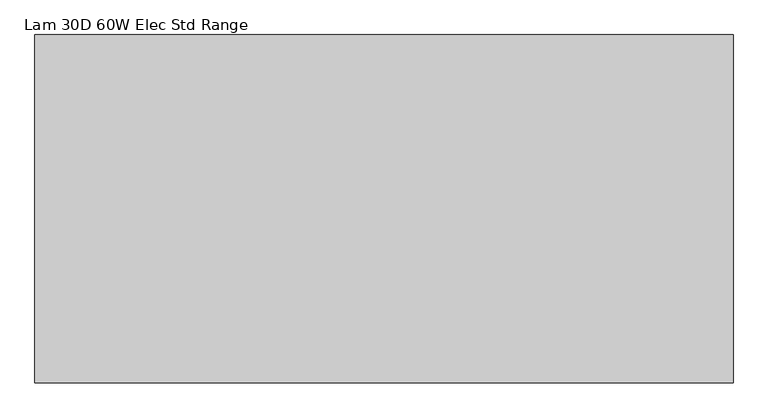
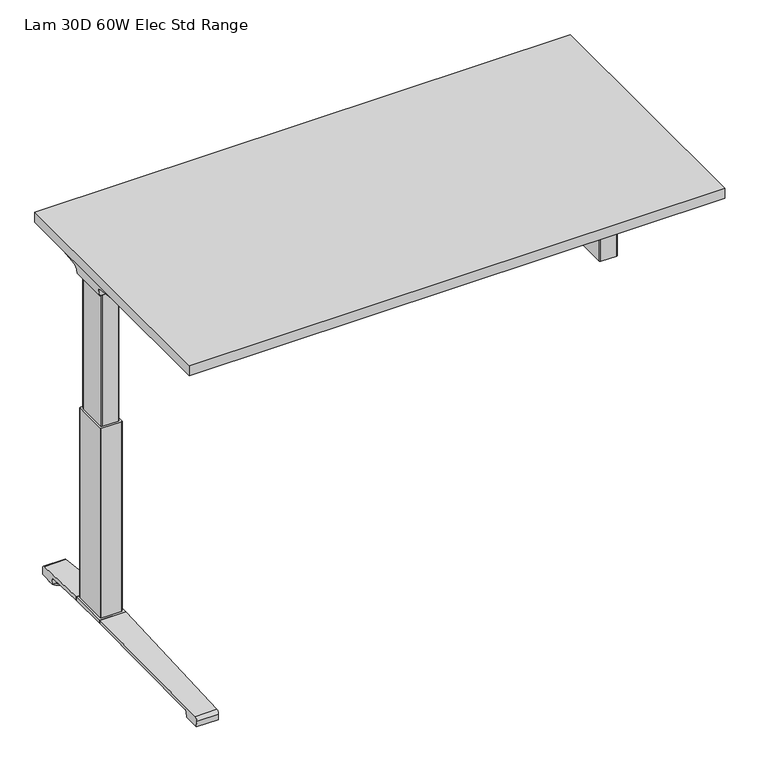
"""IFC4 building model written with IfcOpenShell, lengths in millimetres: furniture geometry, Lam 30D 60W Elec Std Range."""

from ifc_helpers import new_model, si_unit, point, frame, frame_2d, origin, place, context, project, spatial, polyline, circle_curve, ellipse_curve, trimmed, segment, composite_curve, outline, extrude, source, transform, mapped, element, save
from ifc_brep_helpers import plane_surface, cylinder_surface, revolved_surface, advanced_brep


def lam_30d_60w_elec_std_range_3e9fa373(model_context):
    return source(origin(), model_context, "Body", "SolidModel", [
        extrude(outline(polyline([(735.076, 366.776), (735.076, -366.776), (-735.076, -366.776), (-735.076, 366.776), (735.076, 366.776)])), frame((0.0, 0.0, 1037.209), z_axis=(0.0, 0.0, 1.0), x_axis=(1.0, 0.0, 0.0)), (0.0, 0.0, 1.0), 29.591),
        advanced_brep(
        [(-718.7406297, 194.2506702, 988.7915733), (-553.0122138, 194.2506702, 988.7915733), (-567.3924181, 192.0222169, 986.1442785), (-716.2518591, 192.0222169, 986.1442785), (-718.9625278, 194.259656, 989.0276054), (-721.3619089, 194.9036827, 1005.9443054), (-538.5773962, 194.9036827, 1005.9443054), (-538.5773962, 194.5556965, 996.8037253), (-541.4075093, 194.4745058, 994.6710821), (-541.5501644, 194.3968397, 992.6310191), (-722.2185362, 200.3707181, 1011.9839076), (-538.5773962, 200.3707181, 1011.9839076), (-724.7393767, 314.9419225, 1029.7569507), (-660.5243442, 314.9419225, 1029.7569507), (-538.5773962, 234.1372, 1017.2219877), (-724.8128152, 318.7179275, 1030.2747243), (-666.2229255, 318.7179275, 1030.2747243), (-725.4871296, 320.2281839, 1035.0289399), (-723.7021288, 317.6512888, 1037.209), (-664.6132011, 317.6512888, 1037.209), (-725.4871296, -38.7453839, 1035.0289399), (-724.8128152, -37.2351275, 1030.2747243), (-666.2229255, -37.2351275, 1030.2747243), (-664.6132011, -36.1684888, 1037.209), (-723.7021288, -36.1684888, 1037.209), (-724.7393767, -33.4591225, 1029.7569507), (-660.5243442, -33.4591225, 1029.7569507), (-722.2185362, 81.1120819, 1011.9839076), (-538.5773962, 81.1120819, 1011.9839076), (-538.5773962, 47.3456, 1017.2219877), (-721.3619089, 86.5791173, 1005.9443054), (-538.5773962, 86.5791173, 1005.9443054), (-718.9625278, 87.223144, 989.0276054), (-718.7406297, 87.2321298, 988.7915733), (-553.0122138, 87.2321298, 988.7915733), (-541.5501644, 87.0859603, 992.6310191), (-541.4075093, 87.0082942, 994.6710821), (-538.5773962, 86.9271035, 996.8037253), (-716.2518591, 89.4605831, 986.1442785), (-567.3924181, 89.4605831, 986.1442785), (-538.5773962, 47.3456, 1037.209), (-538.5773962, 234.1372, 1037.209)],
        [
            (0, 1),
            (1, 2, ellipse_curve(frame((-577.2936465, 271.2884009, 1080.3086722), z_axis=(0.0, 0.7650318638532662, -0.6439924279750482), x_axis=(0.0, 0.6439924279750482, 0.7650318638532662)), 123.7641411, 94.6835116)),
            (2, 3),
            (3, 0),
            (0, 4),
            (4, 5),
            (5, 6),
            (6, 7),
            (7, 8),
            (8, 9),
            (9, 1, ellipse_curve(frame((-577.2936465, 197.7347686, 1080.3086722), z_axis=(0.0, 0.999276106683639, -0.03804290487316255), x_axis=(0.0, 0.03804290487316397, 0.999276106683639)), 94.752102, 94.6835116)),
            (5, 10, ellipse_curve(frame((-721.3119691, 201.3622409, 1005.5922075), z_axis=(-0.990090671484964, 0.0, -0.14042956326377007), x_axis=(-0.1404295632637696, 0.0, 0.990090671484964)), 6.5328852, 6.4681487)),
            (10, 11),
            (11, 6, circle_curve(frame((-538.5773962, 201.3622409, 1005.5922075), z_axis=(1.0, 0.0, 0.0), x_axis=(0.0, 1.0, 0.0)), 6.4681487)),
            (10, 12),
            (12, 13),
            (13, 14),
            (14, 11),
            (12, 15),
            (15, 16),
            (16, 13),
            (15, 17, ellipse_curve(frame((-725.2730772, 316.7408111, 1033.5197755), z_axis=(0.990090671484964, 0.0, 0.14042956326377007), x_axis=(0.1404295632637696, 0.0, -0.990090671484964)), 3.8379455, 3.7999141)),
            (17, 18, ellipse_curve(frame((-726.722811, 316.7408111, 1033.5197755), z_axis=(0.7737284588433301, 0.0, -0.6335173809580328), x_axis=(0.6335173809580328, 0.0, 0.77372845884333)), 4.9111727, 3.7999141)),
            (18, 19),
            (19, 16, ellipse_curve(frame((-663.239148, 316.7408111, 1033.5197755), z_axis=(-0.5523637579768186, -0.8336031902972341, 0.0), x_axis=(0.8336031902972341, -0.5523637579768187, 0.0)), 6.8793689, 3.7999141)),
            (20, 21, ellipse_curve(frame((-725.2730772, -35.2580111, 1033.5197755), z_axis=(0.990090671484964, 0.0, 0.14042956326377007), x_axis=(0.1404295632637696, 0.0, -0.990090671484964)), 3.8379455, 3.7999141)),
            (21, 22),
            (22, 23, ellipse_curve(frame((-663.239148, -35.2580111, 1033.5197755), z_axis=(-0.552363757975039, 0.8336031902984132, 0.0), x_axis=(0.8336031902984132, 0.552363757975039, 0.0)), 6.8793689, 3.7999141)),
            (23, 24),
            (24, 20, ellipse_curve(frame((-726.722811, -35.2580111, 1033.5197755), z_axis=(0.7737284588433301, 0.0, -0.6335173809580328), x_axis=(0.6335173809580328, 0.0, 0.77372845884333)), 4.9111727, 3.7999141)),
            (21, 25),
            (25, 26),
            (26, 22),
            (27, 28),
            (28, 29),
            (29, 26),
            (25, 27),
            (27, 30, ellipse_curve(frame((-721.3119691, 80.1205591, 1005.5922075), z_axis=(-0.990090671484964, 0.0, -0.14042956326377007), x_axis=(-0.1404295632637696, 0.0, 0.990090671484964)), 6.5328852, 6.4681487)),
            (30, 31),
            (31, 28, circle_curve(frame((-538.5773962, 80.1205591, 1005.5922075), z_axis=(1.0, 0.0, 0.0), x_axis=(0.0, 1.0, 0.0)), 6.4681487)),
            (30, 32),
            (32, 33),
            (33, 34),
            (34, 35, ellipse_curve(frame((-577.2936465, 83.7480314, 1080.3086722), z_axis=(0.0, -0.9992761066836363, -0.03804290487323539), x_axis=(0.0, 0.03804290487323121, -0.9992761066836364)), 94.752102, 94.6835116)),
            (35, 36),
            (36, 37),
            (37, 31),
            (33, 38),
            (38, 39),
            (39, 34, ellipse_curve(frame((-577.2936465, 10.1943991, 1080.3086722), z_axis=(0.0, -0.7650318638534733, -0.643992427974802), x_axis=(0.0, 0.643992427974802, -0.7650318638534732)), 123.7641411, 94.6835116)),
            (4, 32),
            (20, 17),
            (24, 18),
            (23, 40),
            (40, 41),
            (41, 19),
            (37, 7),
            (14, 41),
            (40, 29),
            (36, 8),
            (35, 9),
            (39, 2),
            (38, 3),
        ],
        [
            plane_surface(frame((-741.7773962, 192.0222169, 986.1442785), z_axis=(0.0, 0.7650318638532662, -0.6439924279750482), x_axis=(1.0, 0.0, 0.0))),
            plane_surface(frame((-741.7773962, 194.2506702, 988.7915733), z_axis=(0.0, 0.999276106683639, -0.03804290487316255), x_axis=(1.0, 0.0, 0.0))),
            revolved_surface(polyline([(-722.2293793154884, 207.8303896, 1005.5922075), (-538.5773962, 207.8303896, 1005.5922075)]), (-741.7773962, 201.3622409, 1005.5922075), (-1.0, 0.0, 0.0)),
            plane_surface(frame((-741.7773962, 200.3707181, 1011.9839076), z_axis=(0.0, 0.153293135871396, -0.9881807600306302), x_axis=(1.0, 0.0, 0.0))),
            plane_surface(frame((-741.7773962, 314.9419225, 1029.7569507), z_axis=(0.0, 0.13585085469026903, -0.9907292996979162), x_axis=(1.0, 0.0, 0.0))),
            cylinder_surface(frame((-741.7773962, 316.7408111, 1033.5197755), z_axis=(1.0, 0.0, 0.0), x_axis=(0.0, 1.0, 0.0)), 3.7999141),
            cylinder_surface(frame((-741.7773962, -35.2580111, 1033.5197755), z_axis=(1.0, 0.0, 0.0), x_axis=(0.0, 1.0, 0.0)), 3.7999141),
            plane_surface(frame((-741.7773962, -37.2351275, 1030.2747243), z_axis=(0.0, -0.13585085468791205, -0.9907292996982394), x_axis=(1.0, 0.0, 0.0))),
            plane_surface(frame((-741.7773962, -33.4591225, 1029.7569507), z_axis=(0.0, -0.1532931358714066, -0.9881807600306285), x_axis=(1.0, 0.0, 0.0))),
            revolved_surface(polyline([(-722.2293793154884, 86.5887078, 1005.5922075), (-538.5773962, 86.5887078, 1005.5922075)]), (-741.7773962, 80.1205591, 1005.5922075), (-1.0, 0.0, 0.0)),
            plane_surface(frame((-741.7773962, 86.5791173, 1005.9443054), z_axis=(0.0, -0.9992761066836363, -0.03804290487323539), x_axis=(1.0, 0.0, 0.0))),
            plane_surface(frame((-741.7773962, 87.2321298, 988.7915733), z_axis=(0.0, -0.7650318638534733, -0.643992427974802), x_axis=(1.0, 0.0, 0.0))),
            plane_surface(frame((-718.9625278, 331.2414, 989.0276054), z_axis=(-0.990090671484964, 0.0, -0.14042956326377007), x_axis=(0.0, -1.0, 0.0))),
            plane_surface(frame((-725.4871296, 331.2414, 1035.0289399), z_axis=(-0.7737284588433301, 0.0, 0.6335173809580328), x_axis=(0.0, -1.0, 0.0))),
            plane_surface(frame((-723.7021288, 331.2414, 1037.209), z_axis=(0.0, 0.0, 1.0), x_axis=(0.0, -1.0, 0.0))),
            plane_surface(frame((-538.5773962, 331.2414, 1037.209), z_axis=(1.0, 0.0, 0.0), x_axis=(0.0, -1.0, 0.0))),
            plane_surface(frame((-538.5773962, 331.2414, 996.8037253), z_axis=(0.6018150231516033, 0.0, -0.7986355100476283), x_axis=(0.0, -1.0, 0.0))),
            plane_surface(frame((-541.4075093, 331.2414, 994.6710821), z_axis=(0.9975640502600401, 0.0, -0.06975647374103827), x_axis=(0.0, -1.0, 0.0))),
            cylinder_surface(frame((-577.2936465, 331.2414, 1080.3086722), z_axis=(0.0, 1.0, 0.0), x_axis=(1.0, 0.0, 0.0)), 94.6835116),
            plane_surface(frame((-567.3924181, 331.2414, 986.1442785), z_axis=(0.0, 0.0, -1.0), x_axis=(0.0, -1.0, 0.0))),
            plane_surface(frame((-716.2518591, 331.2414, 986.1442785), z_axis=(-0.728584606419653, 0.0, -0.6849558170337118), x_axis=(0.0, -1.0, 0.0))),
            plane_surface(frame((-685.1228017, 331.2414, 1037.209), z_axis=(0.5523637579768186, 0.8336031902972341, 0.0), x_axis=(0.0, 0.0, -1.0))),
            plane_surface(frame((-538.5773962, 47.3456, 1037.209), z_axis=(0.552363757975039, -0.8336031902984132, 0.0), x_axis=(0.0, 0.0, -1.0))),
        ],
        [
            (0, [[1, 2, 3, 4]]),
            (1, [[-1, 5, 6, 7, 8, 9, 10, 11]]),
            (2, [[-7, 12, 13, 14]]),
            (3, [[-13, 15, 16, 17, 18]]),
            (4, [[19, 20, 21, -16]]),
            (5, [[22, 23, 24, 25, -20]]),
            (6, [[26, 27, 28, 29, 30]]),
            (7, [[31, 32, 33, -27]]),
            (8, [[34, 35, 36, -32, 37]]),
            (9, [[-34, 38, 39, 40]]),
            (10, [[-39, 41, 42, 43, 44, 45, 46, 47]]),
            (11, [[-43, 48, 49, 50]]),
            (12, [[51, -41, -38, -37, -31, -26, 52, -22, -19, -15, -12, -6]]),
            (13, [[-52, -30, 53, -23]]),
            (14, [[-53, -29, 54, 55, 56, -24]]),
            (15, [[57, -8, -14, -18, 58, -55, 59, -35, -40, -47]]),
            (16, [[-57, -46, 60, -9]]),
            (17, [[-60, -45, 61, -10]]),
            (18, [[-61, -44, -50, 62, -2, -11]]),
            (19, [[-62, -49, 63, -3]]),
            (20, [[-51, -5, -4, -63, -48, -42]]),
            (21, [[-56, -58, -17, -21, -25]]),
            (22, [[-54, -28, -33, -36, -59]]),
        ],
    ),
        advanced_brep(
        [(553.0122138, 194.2506702, 988.7915733), (718.7406297, 194.2506702, 988.7915733), (716.2518591, 192.0222169, 986.1442785), (567.3924181, 192.0222169, 986.1442785), (541.5501644, 194.3968397, 992.6310191), (541.4075093, 194.4745058, 994.6710821), (538.7619573, 194.5504018, 996.6646485), (538.7619573, 194.9036827, 1005.9443054), (721.3619089, 194.9036827, 1005.9443054), (718.9625278, 194.259656, 989.0276054), (538.7619573, 200.3707181, 1011.9839076), (722.2185362, 200.3707181, 1011.9839076), (538.7619573, 234.1303953, 1017.2209321), (660.5570453, 314.9419225, 1029.7569507), (724.7393767, 314.9419225, 1029.7569507), (724.8128152, 318.7179275, 1030.2747243), (666.2480509, 318.7179275, 1030.2747243), (725.4871296, 320.2281839, 1035.0289399), (664.6404665, 317.6512888, 1037.209), (723.7021288, 317.6512888, 1037.209), (724.8128152, -37.2351275, 1030.2747243), (725.4871296, -38.7453839, 1035.0289399), (723.7021288, -36.1684888, 1037.209), (664.6404665, -36.1684888, 1037.209), (666.2480509, -37.2351275, 1030.2747243), (724.7393767, -33.4591225, 1029.7569507), (660.5570453, -33.4591225, 1029.7569507), (538.7619573, 81.1120819, 1011.9839076), (722.2185362, 81.1120819, 1011.9839076), (538.7619573, 47.3524047, 1017.2209321), (538.7619573, 86.5791173, 1005.9443054), (721.3619089, 86.5791173, 1005.9443054), (538.7619573, 86.9323982, 996.6646485), (541.4075093, 87.0082942, 994.6710821), (541.5501644, 87.0859603, 992.6310191), (553.0122138, 87.2321298, 988.7915733), (718.7406297, 87.2321298, 988.7915733), (718.9625278, 87.223144, 989.0276054), (567.3924181, 89.4605831, 986.1442785), (716.2518591, 89.4605831, 986.1442785), (538.7619573, 234.1303953, 1037.209), (538.7619573, 47.3524047, 1037.209)],
        [
            (0, 1),
            (1, 2),
            (2, 3),
            (3, 0, ellipse_curve(frame((577.2936465, 271.2884009, 1080.3086722), z_axis=(0.0, 0.7650318638532565, -0.6439924279750596), x_axis=(0.0, -0.6439924279750596, -0.7650318638532564)), 123.7641411, 94.6835116)),
            (0, 4, ellipse_curve(frame((577.2936465, 197.7347686, 1080.3086722), z_axis=(0.0, 0.9992761066836392, -0.03804290487315862), x_axis=(0.0, -0.03804290487315623, -0.9992761066836393)), 94.752102, 94.6835116)),
            (4, 5),
            (5, 6),
            (6, 7),
            (7, 8),
            (8, 9),
            (9, 1),
            (7, 10, circle_curve(frame((538.7619573, 201.3622409, 1005.5922075), z_axis=(-1.0, 0.0, 0.0), x_axis=(0.0, 1.0, 0.0)), 6.4681487)),
            (10, 11),
            (11, 8, ellipse_curve(frame((721.3119691, 201.3622409, 1005.5922075), z_axis=(0.9900906714849659, 0.0, -0.1404295632637567), x_axis=(-0.1404295632637562, 0.0, -0.9900906714849659)), 6.5328852, 6.4681487)),
            (10, 12),
            (12, 13),
            (13, 14),
            (14, 11),
            (15, 14),
            (13, 16),
            (16, 15),
            (17, 15, ellipse_curve(frame((725.2730772, 316.7408111, 1033.5197755), z_axis=(-0.9900906714849659, 0.0, 0.1404295632637567), x_axis=(0.1404295632637562, 0.0, 0.9900906714849659)), 3.8379455, 3.7999141)),
            (16, 18, ellipse_curve(frame((663.26824, 316.7408111, 1033.5197755), z_axis=(0.5528743936295484, -0.8332646067539167, 0.0), x_axis=(0.8332646067539166, 0.5528743936295484, 0.0)), 6.8730151, 3.7999141)),
            (18, 19),
            (19, 17, ellipse_curve(frame((726.722811, 316.7408111, 1033.5197755), z_axis=(-0.7737284588399557, 0.0, -0.633517380962154), x_axis=(0.6335173809621538, 0.0, -0.7737284588399556)), 4.9111727, 3.7999141)),
            (20, 21, ellipse_curve(frame((725.2730772, -35.2580111, 1033.5197755), z_axis=(-0.9900906714849659, 0.0, 0.1404295632637567), x_axis=(0.1404295632637562, 0.0, 0.9900906714849659)), 3.8379455, 3.7999141)),
            (21, 22, ellipse_curve(frame((726.722811, -35.2580111, 1033.5197755), z_axis=(-0.7737284588399557, 0.0, -0.633517380962154), x_axis=(0.6335173809621538, 0.0, -0.7737284588399556)), 4.9111727, 3.7999141)),
            (22, 23),
            (23, 24, ellipse_curve(frame((663.26824, -35.2580111, 1033.5197755), z_axis=(0.5528743936295326, 0.833264606753927, 0.0), x_axis=(0.833264606753927, -0.5528743936295326, 0.0)), 6.8730151, 3.7999141)),
            (24, 20),
            (25, 20),
            (24, 26),
            (26, 25),
            (27, 28),
            (28, 25),
            (26, 29),
            (29, 27),
            (27, 30, circle_curve(frame((538.7619573, 80.1205591, 1005.5922075), z_axis=(-1.0, 0.0, 0.0), x_axis=(0.0, 1.0, 0.0)), 6.4681487)),
            (30, 31),
            (31, 28, ellipse_curve(frame((721.3119691, 80.1205591, 1005.5922075), z_axis=(0.9900906714849659, 0.0, -0.1404295632637567), x_axis=(-0.1404295632637562, 0.0, -0.9900906714849659)), 6.5328852, 6.4681487)),
            (30, 32),
            (32, 33),
            (33, 34),
            (34, 35, ellipse_curve(frame((577.2936465, 83.7480314, 1080.3086722), z_axis=(0.0, -0.9992761066836363, -0.03804290487323539), x_axis=(0.0, -0.03804290487323121, 0.9992761066836364)), 94.752102, 94.6835116)),
            (35, 36),
            (36, 37),
            (37, 31),
            (35, 38, ellipse_curve(frame((577.2936465, 10.1943991, 1080.3086722), z_axis=(0.0, -0.7650318638534733, -0.643992427974802), x_axis=(0.0, -0.643992427974802, 0.7650318638534732)), 123.7641411, 94.6835116)),
            (38, 39),
            (39, 36),
            (37, 9),
            (17, 21),
            (19, 22),
            (18, 40),
            (40, 41),
            (41, 23),
            (6, 32),
            (29, 41),
            (40, 12),
            (5, 33),
            (4, 34),
            (3, 38),
            (2, 39),
        ],
        [
            plane_surface(frame((538.7619573, 192.0222169, 986.1442785), z_axis=(0.0, 0.7650318638532565, -0.6439924279750596), x_axis=(1.0, 0.0, 0.0))),
            plane_surface(frame((538.7619573, 194.2506702, 988.7915733), z_axis=(0.0, 0.9992761066836392, -0.03804290487315862), x_axis=(1.0, 0.0, 0.0))),
            revolved_surface(polyline([(538.7619573, 207.8303896, 1005.5922075), (722.2293793154884, 207.8303896, 1005.5922075)]), (538.7619573, 201.3622409, 1005.5922075), (-1.0, 0.0, 0.0)),
            plane_surface(frame((538.7619573, 200.3707181, 1011.9839076), z_axis=(0.0, 0.15329313587140309, -0.988180760030629), x_axis=(1.0, 0.0, 0.0))),
            plane_surface(frame((538.7619573, 314.9419225, 1029.7569507), z_axis=(0.0, 0.1358508546900816, -0.9907292996979419), x_axis=(1.0, 0.0, 0.0))),
            cylinder_surface(frame((538.7619573, 316.7408111, 1033.5197755), z_axis=(1.0, 0.0, 0.0), x_axis=(0.0, 1.0, 0.0)), 3.7999141),
            cylinder_surface(frame((538.7619573, -35.2580111, 1033.5197755), z_axis=(1.0, 0.0, 0.0), x_axis=(0.0, 1.0, 0.0)), 3.7999141),
            plane_surface(frame((538.7619573, -37.2351275, 1030.2747243), z_axis=(0.0, -0.1358508546877776, -0.9907292996982578), x_axis=(1.0, 0.0, 0.0))),
            plane_surface(frame((538.7619573, -33.4591225, 1029.7569507), z_axis=(0.0, -0.15329313587141113, -0.9881807600306277), x_axis=(1.0, 0.0, 0.0))),
            revolved_surface(polyline([(538.7619573, 86.5887078, 1005.5922075), (722.2293793154884, 86.5887078, 1005.5922075)]), (538.7619573, 80.1205591, 1005.5922075), (-1.0, 0.0, 0.0)),
            plane_surface(frame((538.7619573, 86.5791173, 1005.9443054), z_axis=(0.0, -0.9992761066836363, -0.03804290487323539), x_axis=(1.0, 0.0, 0.0))),
            plane_surface(frame((538.7619573, 87.2321298, 988.7915733), z_axis=(0.0, -0.7650318638534733, -0.643992427974802), x_axis=(1.0, 0.0, 0.0))),
            plane_surface(frame((718.9625278, -49.7586, 989.0276054), z_axis=(0.9900906714849659, 0.0, -0.1404295632637567), x_axis=(0.0, 1.0, 0.0))),
            plane_surface(frame((725.4871296, -49.7586, 1035.0289399), z_axis=(0.7737284588399557, 0.0, 0.633517380962154), x_axis=(0.0, 1.0, 0.0))),
            plane_surface(frame((723.7021288, -49.7586, 1037.209), z_axis=(0.0, 0.0, 1.0), x_axis=(0.0, 1.0, 0.0))),
            plane_surface(frame((538.7619573, -49.7586, 1037.209), z_axis=(-1.0, 0.0, 0.0), x_axis=(0.0, 1.0, 0.0))),
            plane_surface(frame((538.7619573, -49.7586, 996.6646485), z_axis=(-0.6018150231540825, 0.0, -0.7986355100457599), x_axis=(0.0, 1.0, 0.0))),
            plane_surface(frame((541.4075093, -49.7586, 994.6710821), z_axis=(-0.9975640502598242, 0.0, -0.06975647374412697), x_axis=(0.0, 1.0, 0.0))),
            cylinder_surface(frame((577.2936465, -49.7586, 1080.3086722), z_axis=(0.0, -1.0, 0.0), x_axis=(-1.0, 0.0, 0.0)), 94.6835116),
            plane_surface(frame((567.3924181, -49.7586, 986.1442785), z_axis=(0.0, 0.0, -1.0), x_axis=(0.0, 1.0, 0.0))),
            plane_surface(frame((716.2518591, -49.7586, 986.1442785), z_axis=(0.7285846064222525, 0.0, -0.6849558170309465), x_axis=(0.0, 1.0, 0.0))),
            plane_surface(frame((538.7619573, 234.1303953, 1037.209), z_axis=(-0.5528743936295484, 0.8332646067539167, 0.0), x_axis=(0.0, 0.0, -1.0))),
            plane_surface(frame((685.1228017, -49.7586, 1037.209), z_axis=(-0.5528743936295326, -0.833264606753927, 0.0), x_axis=(0.0, 0.0, -1.0))),
        ],
        [
            (0, [[1, 2, 3, 4]]),
            (1, [[-1, 5, 6, 7, 8, 9, 10, 11]]),
            (2, [[-9, 12, 13, 14]]),
            (3, [[-13, 15, 16, 17, 18]]),
            (4, [[19, -17, 20, 21]]),
            (5, [[22, -21, 23, 24, 25]]),
            (6, [[26, 27, 28, 29, 30]]),
            (7, [[31, -30, 32, 33]]),
            (8, [[34, 35, -33, 36, 37]]),
            (9, [[-34, 38, 39, 40]]),
            (10, [[-39, 41, 42, 43, 44, 45, 46, 47]]),
            (11, [[-45, 48, 49, 50]]),
            (12, [[51, -10, -14, -18, -19, -22, 52, -26, -31, -35, -40, -47]]),
            (13, [[-52, -25, 53, -27]]),
            (14, [[-53, -24, 54, 55, 56, -28]]),
            (15, [[57, -41, -38, -37, 58, -55, 59, -15, -12, -8]]),
            (16, [[-57, -7, 60, -42]]),
            (17, [[-60, -6, 61, -43]]),
            (18, [[-61, -5, -4, 62, -48, -44]]),
            (19, [[-62, -3, 63, -49]]),
            (20, [[-51, -46, -50, -63, -2, -11]]),
            (21, [[-54, -23, -20, -16, -59]]),
            (22, [[-56, -58, -36, -32, -29]]),
        ],
    ),
        advanced_brep(
        [(-538.5773962, 219.4245697, 1031.9794894), (-538.5773962, 221.1889242, 1034.2075511), (-538.5773962, 232.1695225, 1034.2075511), (-538.5773962, 232.8996919, 1031.6093085), (-538.5773962, 211.4733108, 1002.0462148), (-538.5773962, 194.0724914, 993.4452863), (-538.5773962, 87.2846156, 993.4452863), (-538.5773962, 69.6568217, 1002.4997482), (-538.5773962, 48.3221138, 1032.2706054), (-538.5773962, 49.9606766, 1034.3266572), (-538.5773962, 60.1758098, 1034.3266572), (-538.5773962, 62.0467848, 1031.9794894), (-538.5773962, 61.3055637, 1031.4423822), (-538.5773962, 59.7353363, 1033.4122572), (-538.5773962, 50.0567238, 1033.4122572), (-538.5773962, 49.2508351, 1032.5444366), (-538.5773962, 70.4000744, 1003.0323858), (-538.5773962, 87.2846156, 994.3598536), (-538.5773962, 194.0724914, 994.3596863), (-538.5773962, 210.73984, 1002.5923713), (-538.5773962, 232.0935627, 1032.0552144), (-538.5773962, 231.8362942, 1033.2931511), (-538.5773962, 221.631209, 1033.2931511), (-538.5773962, 220.1656719, 1031.4424419), (538.7619573, 219.4245697, 1031.9794894), (538.7619573, 220.1656719, 1031.4424419), (538.7619573, 221.631209, 1033.2931511), (538.7619573, 231.8362942, 1033.2931511), (538.7619573, 232.0935627, 1032.0552144), (538.7619573, 210.73984, 1002.5923713), (538.7619573, 194.0724914, 994.3596863), (538.7619573, 87.2846155, 994.3596863), (538.7619573, 70.4000744, 1003.0323858), (538.7619573, 49.2508351, 1032.5444366), (538.7619573, 50.0567238, 1033.4122572), (538.7619573, 59.7353363, 1033.4122572), (538.7619573, 61.3055637, 1031.4423822), (538.7619573, 62.0467848, 1031.9794894), (538.7619573, 60.1758098, 1034.3266572), (538.7619573, 49.9606766, 1034.3266572), (538.7619573, 48.3221138, 1032.2706054), (538.7619573, 69.6568217, 1002.4997482), (538.7619573, 87.2846156, 993.4454536), (538.7619573, 194.0724914, 993.4452863), (538.7619573, 211.4733108, 1002.0462148), (538.7619573, 232.8996919, 1031.6093085), (538.7619573, 232.1695225, 1034.2075511), (538.7619573, 221.1889242, 1034.2075511)],
        [
            (0, 1),
            (1, 2),
            (2, 3, circle_curve(frame((-538.5773962, 230.9519576, 1032.4636667), z_axis=(-1.0, 0.0, 0.0), x_axis=(0.0, 1.0, 0.0)), 2.1268749)),
            (3, 4),
            (4, 5, circle_curve(frame((-538.5773962, 194.0724914, 1015.3478336), z_axis=(-1.0, 0.0, 0.0), x_axis=(0.0, 1.0, 0.0)), 21.9025472)),
            (5, 6),
            (6, 7, circle_curve(frame((-538.5773962, 87.2846156, 1015.132365), z_axis=(-1.0, 0.0, 0.0), x_axis=(0.0, 1.0, 0.0)), 21.6869114)),
            (7, 8),
            (8, 9, circle_curve(frame((-538.5773962, 50.3224635, 1032.3573833), z_axis=(-1.0, 0.0, 0.0), x_axis=(0.0, 1.0, 0.0)), 2.0022311)),
            (9, 10),
            (10, 11),
            (11, 12),
            (12, 13),
            (13, 14),
            (14, 15, circle_curve(frame((-538.5773962, 50.3224635, 1032.3573833), z_axis=(1.0, 0.0, 0.0), x_axis=(0.0, 1.0, 0.0)), 1.0878311)),
            (15, 16),
            (16, 17, circle_curve(frame((-538.5773962, 87.2846156, 1015.132365), z_axis=(1.0, 0.0, 0.0), x_axis=(0.0, 1.0, 0.0)), 20.7725114)),
            (17, 18),
            (18, 19, circle_curve(frame((-538.5773962, 194.0724914, 1015.3478336), z_axis=(1.0, 0.0, 0.0), x_axis=(0.0, 1.0, 0.0)), 20.9881473)),
            (19, 20),
            (20, 21, circle_curve(frame((-538.5773962, 230.9519576, 1032.4636667), z_axis=(1.0, 0.0, 0.0), x_axis=(0.0, 1.0, 0.0)), 1.2124749)),
            (21, 22),
            (22, 23),
            (23, 0),
            (24, 25),
            (25, 26),
            (26, 27),
            (27, 28, circle_curve(frame((538.7619573, 230.9519576, 1032.4636667), z_axis=(-1.0, 0.0, 0.0), x_axis=(0.0, 1.0, 0.0)), 1.2124749)),
            (28, 29),
            (29, 30, circle_curve(frame((538.7619573, 194.0724914, 1015.3478336), z_axis=(-1.0, 0.0, 0.0), x_axis=(0.0, 1.0, 0.0)), 20.9881473)),
            (30, 31),
            (31, 32, circle_curve(frame((538.7619573, 87.2846156, 1015.132365), z_axis=(-1.0, 0.0, 0.0), x_axis=(0.0, 1.0, 0.0)), 20.7725114)),
            (32, 33),
            (33, 34, circle_curve(frame((538.7619573, 50.3224635, 1032.3573833), z_axis=(-1.0, 0.0, 0.0), x_axis=(0.0, 1.0, 0.0)), 1.0878311)),
            (34, 35),
            (35, 36),
            (36, 37),
            (37, 38),
            (38, 39),
            (39, 40, circle_curve(frame((538.7619573, 50.3224635, 1032.3573833), z_axis=(1.0, 0.0, 0.0), x_axis=(0.0, 1.0, 0.0)), 2.0022311)),
            (40, 41),
            (41, 42, circle_curve(frame((538.7619573, 87.2846156, 1015.132365), z_axis=(1.0, 0.0, 0.0), x_axis=(0.0, 1.0, 0.0)), 21.6869114)),
            (42, 43),
            (43, 44, circle_curve(frame((538.7619573, 194.0724914, 1015.3478336), z_axis=(1.0, 0.0, 0.0), x_axis=(0.0, 1.0, 0.0)), 21.9025472)),
            (44, 45),
            (45, 46, circle_curve(frame((538.7619573, 230.9519576, 1032.4636667), z_axis=(1.0, 0.0, 0.0), x_axis=(0.0, 1.0, 0.0)), 2.1268749)),
            (46, 47),
            (47, 24),
            (0, 24),
            (47, 1),
            (46, 2),
            (45, 3),
            (44, 4),
            (43, 5),
            (42, 6),
            (41, 7),
            (40, 8),
            (39, 9),
            (38, 10),
            (37, 11),
            (36, 12),
            (35, 13),
            (34, 14),
            (33, 15),
            (32, 16),
            (31, 17),
            (30, 18),
            (29, 19),
            (28, 20),
            (27, 21),
            (26, 22),
            (25, 23),
        ],
        [
            plane_surface(frame((-538.5773962, 140.7414, 1037.209), z_axis=(-1.0, 0.0, 0.0), x_axis=(0.0, 0.0, 1.0))),
            plane_surface(frame((538.7619573, 140.7414, 1037.209), z_axis=(1.0, 0.0, 0.0), x_axis=(0.0, 0.0, 1.0))),
            plane_surface(frame((-538.5773962, 219.4245697, 1031.9794894), z_axis=(0.0, -0.7839649337165058, 0.6208051084703434), x_axis=(1.0, 0.0, 0.0))),
            plane_surface(frame((-538.5773962, 221.1889242, 1034.2075511), z_axis=(0.0, 0.0, 1.0), x_axis=(1.0, 0.0, 0.0))),
            cylinder_surface(frame((-538.5773962, 230.9519576, 1032.4636667), z_axis=(-1.0, 0.0, 0.0), x_axis=(0.0, 1.0, 0.0)), 2.1268749),
            plane_surface(frame((-538.5773962, 232.8996919, 1031.6093085), z_axis=(0.0, 0.8096997445281038, -0.586844377762217), x_axis=(1.0, 0.0, 0.0))),
            cylinder_surface(frame((-538.5773962, 194.0724914, 1015.3478336), z_axis=(-1.0, 0.0, 0.0), x_axis=(0.0, 1.0, 0.0)), 21.9025472),
            plane_surface(frame((-538.5773962, 194.0724914, 993.4452863), z_axis=(0.0, 0.0, -1.0), x_axis=(1.0, 0.0, 0.0))),
            cylinder_surface(frame((-538.5773962, 87.2846156, 1015.132365), z_axis=(-1.0, 0.0, 0.0), x_axis=(0.0, 1.0, 0.0)), 21.6869114),
            plane_surface(frame((-538.5773962, 69.6568217, 1002.4997482), z_axis=(0.0, -0.8128309997561537, -0.5824995844079305), x_axis=(1.0, 0.0, 0.0))),
            cylinder_surface(frame((-538.5773962, 50.3224635, 1032.3573833), z_axis=(-1.0, 0.0, 0.0), x_axis=(0.0, 1.0, 0.0)), 2.0022311),
            plane_surface(frame((-538.5773962, 49.9606766, 1034.3266572), z_axis=(0.0, 0.0, 1.0), x_axis=(1.0, 0.0, 0.0))),
            plane_surface(frame((-538.5773962, 60.1758098, 1034.3266572), z_axis=(0.0, 0.7819660587237972, 0.6233210112004657), x_axis=(1.0, 0.0, 0.0))),
            plane_surface(frame((-538.5773962, 62.0467848, 1031.9794894), z_axis=(0.0, 0.5867684336468096, -0.8097547809526473), x_axis=(1.0, 0.0, 0.0))),
            plane_surface(frame((-538.5773962, 61.3055637, 1031.4423822), z_axis=(0.0, -0.7819660587239206, -0.6233210112003109), x_axis=(1.0, 0.0, 0.0))),
            plane_surface(frame((-538.5773962, 59.7353363, 1033.4122572), z_axis=(0.0, 0.0, -1.0), x_axis=(1.0, 0.0, 0.0))),
            revolved_surface(polyline([(538.7619573000001, 51.4102946, 1032.3573833), (-538.5773962, 51.4102946, 1032.3573833)]), (-538.5773962, 50.3224635, 1032.3573833), (1.0, 0.0, 0.0)),
            plane_surface(frame((-538.5773962, 49.2508351, 1032.5444366), z_axis=(0.0, 0.8128309996716102, 0.582499584525904), x_axis=(1.0, 0.0, 0.0))),
            revolved_surface(polyline([(538.7619573000001, 108.057127, 1015.132365), (-538.5773962, 108.057127, 1015.132365)]), (-538.5773962, 87.2846156, 1015.132365), (1.0, 0.0, 0.0)),
            plane_surface(frame((-538.5773962, 87.2846155, 994.3596863), z_axis=(0.0, 0.0, 1.0), x_axis=(1.0, 0.0, 0.0))),
            revolved_surface(polyline([(538.7619573000001, 215.0606387, 1015.3478336), (-538.5773962, 215.0606387, 1015.3478336)]), (-538.5773962, 194.0724914, 1015.3478336), (1.0, 0.0, 0.0)),
            plane_surface(frame((-538.5773962, 210.73984, 1002.5923713), z_axis=(0.0, -0.8096997449536107, 0.5868443771751228), x_axis=(1.0, 0.0, 0.0))),
            revolved_surface(polyline([(538.7619573000001, 232.16443249999998, 1032.4636667), (-538.5773962, 232.16443249999998, 1032.4636667)]), (-538.5773962, 230.9519576, 1032.4636667), (1.0, 0.0, 0.0)),
            plane_surface(frame((-538.5773962, 231.8362942, 1033.2931511), z_axis=(0.0, 0.0, -1.0), x_axis=(1.0, 0.0, 0.0))),
            plane_surface(frame((-538.5773962, 221.631209, 1033.2931511), z_axis=(0.0, 0.7839649337164979, -0.6208051084703533), x_axis=(1.0, 0.0, 0.0))),
            plane_surface(frame((-538.5773962, 220.1656719, 1031.4424419), z_axis=(0.0, -0.5867873637752554, -0.8097410633737715), x_axis=(1.0, 0.0, 0.0))),
        ],
        [
            (0, [[1, 2, 3, 4, 5, 6, 7, 8, 9, 10, 11, 12, 13, 14, 15, 16, 17, 18, 19, 20, 21, 22, 23, 24]]),
            (1, [[25, 26, 27, 28, 29, 30, 31, 32, 33, 34, 35, 36, 37, 38, 39, 40, 41, 42, 43, 44, 45, 46, 47, 48]]),
            (2, [[-1, 49, -48, 50]]),
            (3, [[-2, -50, -47, 51]]),
            (4, [[-3, -51, -46, 52]]),
            (5, [[-4, -52, -45, 53]]),
            (6, [[-5, -53, -44, 54]]),
            (7, [[-6, -54, -43, 55]]),
            (8, [[-7, -55, -42, 56]]),
            (9, [[-8, -56, -41, 57]]),
            (10, [[-9, -57, -40, 58]]),
            (11, [[-10, -58, -39, 59]]),
            (12, [[-11, -59, -38, 60]]),
            (13, [[-12, -60, -37, 61]]),
            (14, [[-13, -61, -36, 62]]),
            (15, [[-14, -62, -35, 63]]),
            (16, [[-15, -63, -34, 64]]),
            (17, [[-16, -64, -33, 65]]),
            (18, [[-17, -65, -32, 66]]),
            (19, [[-18, -66, -31, 67]]),
            (20, [[-19, -67, -30, 68]]),
            (21, [[-20, -68, -29, 69]]),
            (22, [[-21, -69, -28, 70]]),
            (23, [[-22, -70, -27, 71]]),
            (24, [[-23, -71, -26, 72]]),
            (25, [[-24, -72, -25, -49]]),
        ],
    ),
        extrude(outline(composite_curve([segment(polyline([(55.5056383, 1035.5739712), (47.2253898, 1035.5739712), (46.7140592, 1034.5565876), (69.739753, 1002.6872047)]), True, "CONTINUOUS"), segment(trimmed(circle_curve(frame_2d((87.8837814, 1018.2741393)), 23.9198306), [point((69.739753, 1002.6872047))], [point((87.8837814, 994.3543087))], True, "CARTESIAN"), True, "CONTINUOUS"), segment(polyline([(87.8837814, 994.3543087), (301.5718611, 994.3543087)]), True, "CONTINUOUS"), segment(trimmed(circle_curve(frame_2d((302.3659677, 1016.4522042)), 22.1121593), [point((301.5718611, 994.3543087))], [point((320.2711793, 1003.4771903))], True, "CARTESIAN"), True, "CONTINUOUS"), segment(polyline([(320.2711793, 1003.4771903), (342.2234672, 1033.7708273), (342.9639039, 1033.2342821), (321.0116102, 1002.940637)]), True, "CONTINUOUS"), segment(trimmed(circle_curve(frame_2d((302.3659677, 1016.4522042)), 23.0265593), [point((321.0116102, 1002.940637))], [point((301.555603, 993.4399087))], False, "CARTESIAN"), True, "CONTINUOUS"), segment(polyline([(301.555603, 993.4399087), (87.8837814, 993.4399087)]), True, "CONTINUOUS"), segment(trimmed(circle_curve(frame_2d((87.8837814, 1018.2741393)), 24.8342306), [point((87.8837814, 993.4399087))], [point((69.0208769, 1002.1208163))], False, "CARTESIAN"), True, "CONTINUOUS"), segment(polyline([(69.0208769, 1002.1208163), (45.6477131, 1034.4711252), (46.6615684, 1036.4883712), (55.7445219, 1036.4883712), (55.5056383, 1035.5739712)]), True, "CONTINUOUS")], self_intersect=False)), frame((-538.5773962, 0.0, 0.0), z_axis=(1.0, 0.0, 0.0), x_axis=(0.0, 1.0, 0.0)), (0.0, 0.0, 1.0), 1077.3393535),
        advanced_brep(
        [(662.3283088, 185.4896497, 986.1442785), (659.5624028, 183.1364111, 986.1442785), (659.5624028, 98.3627858, 986.1442785), (662.6159671, 96.013387, 986.1442785), (705.9299922, 95.9931503, 986.1442785), (708.9895972, 98.3628936, 986.1442785), (708.9895972, 183.1364956, 986.1442785), (706.2236912, 185.4896497, 986.1442785), (662.3283088, 185.4896497, 599.0990785), (706.2236912, 185.4896497, 599.0990785), (708.9895972, 183.1364956, 599.0990785), (708.9895972, 98.3628936, 599.0990785), (705.9360098, 96.0133923, 599.0990785), (662.6220078, 95.9931503, 599.0990785), (659.5624028, 98.3627858, 599.0990785), (659.5624028, 183.1364111, 599.0990785)],
        [
            (0, 1, circle_curve(frame((662.6300788, 182.3328719, 986.1442785), z_axis=(0.0, 0.0, 1.0), x_axis=(1.0, 0.0, 0.0)), 3.1711688)),
            (1, 2),
            (2, 3, circle_curve(frame((662.6159671, 99.172478, 986.1442785), z_axis=(0.0, 0.0, 1.0), x_axis=(1.0, 0.0, 0.0)), 3.1590911)),
            (3, 4),
            (4, 5, circle_curve(frame((705.9360098, 99.172478, 986.1442785), z_axis=(0.0, 0.0, 1.0), x_axis=(1.0, 0.0, 0.0)), 3.1590858)),
            (5, 6),
            (6, 7, circle_curve(frame((705.9219439, 182.3328698, 986.1442785), z_axis=(0.0, 0.0, 1.0), x_axis=(1.0, 0.0, 0.0)), 3.1711687)),
            (7, 0),
            (8, 9),
            (9, 10, circle_curve(frame((705.9219439, 182.3328698, 599.0990785), z_axis=(0.0, 0.0, -1.0), x_axis=(1.0, 0.0, 0.0)), 3.1711687)),
            (10, 11),
            (11, 12, circle_curve(frame((705.9360098, 99.172478, 599.0990785), z_axis=(0.0, 0.0, -1.0), x_axis=(1.0, 0.0, 0.0)), 3.1590858)),
            (12, 13),
            (13, 14, circle_curve(frame((662.6159671, 99.172478, 599.0990785), z_axis=(0.0, 0.0, -1.0), x_axis=(1.0, 0.0, 0.0)), 3.1590911)),
            (14, 15),
            (15, 8, circle_curve(frame((662.6300788, 182.3328719, 599.0990785), z_axis=(0.0, 0.0, -1.0), x_axis=(1.0, 0.0, 0.0)), 3.1711688)),
            (7, 9),
            (8, 0),
            (6, 10),
            (5, 11),
            (4, 12),
            (3, 13),
            (2, 14),
            (1, 15),
        ],
        [
            plane_surface(frame((665.8012476, 182.3328719, 986.1442785), z_axis=(0.0, 0.0, 1.0), x_axis=(0.0, 1.0, 0.0))),
            plane_surface(frame((665.8012476, 182.3328719, 599.0990785), z_axis=(0.0, 0.0, -1.0), x_axis=(0.0, -1.0, 0.0))),
            plane_surface(frame((706.2236912, 185.4896497, 986.1442785), z_axis=(0.0, 1.0, 0.0), x_axis=(0.0, 0.0, -1.0))),
            cylinder_surface(frame((705.9219439, 182.3328698, 599.0990785), z_axis=(0.0, 0.0, 1.0), x_axis=(1.0, 0.0, 0.0)), 3.1711687),
            plane_surface(frame((708.9895972, 98.3628936, 986.1442785), z_axis=(1.0, 0.0, 0.0), x_axis=(0.0, 0.0, -1.0))),
            cylinder_surface(frame((705.9360098, 99.172478, 599.0990785), z_axis=(0.0, 0.0, 1.0), x_axis=(1.0, 0.0, 0.0)), 3.1590858),
            plane_surface(frame((662.6220078, 95.9931503, 986.1442785), z_axis=(0.0, -1.0, 0.0), x_axis=(0.0, 0.0, -1.0))),
            cylinder_surface(frame((662.6159671, 99.172478, 599.0990785), z_axis=(0.0, 0.0, 1.0), x_axis=(1.0, 0.0, 0.0)), 3.1590911),
            plane_surface(frame((659.5624028, 183.1364111, 986.1442785), z_axis=(-1.0, 0.0, 0.0), x_axis=(0.0, 0.0, -1.0))),
            cylinder_surface(frame((662.6300788, 182.3328719, 599.0990785), z_axis=(0.0, 0.0, 1.0), x_axis=(1.0, 0.0, 0.0)), 3.1711688),
        ],
        [
            (0, [[1, 2, 3, 4, 5, 6, 7, 8]]),
            (1, [[9, 10, 11, 12, 13, 14, 15, 16]]),
            (2, [[-8, 17, -9, 18]]),
            (3, [[-7, 19, -10, -17]]),
            (4, [[-6, 20, -11, -19]]),
            (5, [[-5, 21, -12, -20]]),
            (6, [[-4, 22, -13, -21]]),
            (7, [[-3, 23, -14, -22]]),
            (8, [[-2, 24, -15, -23]]),
            (9, [[-1, -18, -16, -24]]),
        ],
    ),
        advanced_brep(
        [(-662.3283088, 185.4896497, 986.1442785), (-706.2236912, 185.4896497, 986.1442785), (-708.9806448, 183.1699241, 986.1442785), (-708.9806448, 98.3298508, 986.1442785), (-705.9360098, 96.0133923, 986.1442785), (-662.6220078, 95.9931503, 986.1442785), (-659.5713552, 98.3297475, 986.1442785), (-659.5713552, 183.1698433, 986.1442785), (-662.3283088, 185.4896497, 599.0990785), (-659.5713552, 183.1698433, 599.0990785), (-659.5713552, 98.3297475, 599.0990785), (-662.6159671, 96.013387, 599.0990785), (-705.9299922, 95.9931503, 599.0990785), (-708.9806448, 98.3298508, 599.0990785), (-708.9806448, 183.1699241, 599.0990785), (-706.2236912, 185.4896497, 599.0990785)],
        [
            (0, 1),
            (1, 2, circle_curve(frame((-705.9219439, 182.3328698, 986.1442785), z_axis=(0.0, 0.0, 1.0), x_axis=(-1.0, 0.0, 0.0)), 3.1711687)),
            (2, 3),
            (3, 4, circle_curve(frame((-705.9360098, 99.172478, 986.1442785), z_axis=(0.0, 0.0, 1.0), x_axis=(-1.0, 0.0, 0.0)), 3.1590858)),
            (4, 5),
            (5, 6, circle_curve(frame((-662.6159671, 99.172478, 986.1442785), z_axis=(0.0, 0.0, 1.0), x_axis=(-1.0, 0.0, 0.0)), 3.1590911)),
            (6, 7),
            (7, 0, circle_curve(frame((-662.6300788, 182.3328719, 986.1442785), z_axis=(0.0, 0.0, 1.0), x_axis=(-1.0, 0.0, 0.0)), 3.1711688)),
            (8, 9, circle_curve(frame((-662.6300788, 182.3328719, 599.0990785), z_axis=(0.0, 0.0, -1.0), x_axis=(-1.0, 0.0, 0.0)), 3.1711688)),
            (9, 10),
            (10, 11, circle_curve(frame((-662.6159671, 99.172478, 599.0990785), z_axis=(0.0, 0.0, -1.0), x_axis=(-1.0, 0.0, 0.0)), 3.1590911)),
            (11, 12),
            (12, 13, circle_curve(frame((-705.9360098, 99.172478, 599.0990785), z_axis=(0.0, 0.0, -1.0), x_axis=(-1.0, 0.0, 0.0)), 3.1590858)),
            (13, 14),
            (14, 15, circle_curve(frame((-705.9219439, 182.3328698, 599.0990785), z_axis=(0.0, 0.0, -1.0), x_axis=(-1.0, 0.0, 0.0)), 3.1711687)),
            (15, 8),
            (0, 8),
            (15, 1),
            (14, 2),
            (13, 3),
            (12, 4),
            (11, 5),
            (10, 6),
            (9, 7),
        ],
        [
            plane_surface(frame((-706.2236912, 185.4896497, 986.1442785), z_axis=(0.0, 0.0, 1.0), x_axis=(-1.0, 0.0, 0.0))),
            plane_surface(frame((-706.2236912, 185.4896497, 599.0990785), z_axis=(0.0, 0.0, -1.0), x_axis=(1.0, 0.0, 0.0))),
            plane_surface(frame((-662.3283088, 185.4896497, 986.1442785), z_axis=(0.0, 1.0, 0.0), x_axis=(0.0, 0.0, -1.0))),
            cylinder_surface(frame((-705.9219439, 182.3328698, 599.0990785), z_axis=(0.0, 0.0, 1.0), x_axis=(-1.0, 0.0, 0.0)), 3.1711687),
            plane_surface(frame((-708.9806448, 183.1699241, 986.1442785), z_axis=(-1.0, 0.0, 0.0), x_axis=(0.0, 0.0, -1.0))),
            cylinder_surface(frame((-705.9360098, 99.172478, 599.0990785), z_axis=(0.0, 0.0, 1.0), x_axis=(-1.0, 0.0, 0.0)), 3.1590858),
            plane_surface(frame((-705.9299922, 95.9931503, 986.1442785), z_axis=(0.0, -1.0, 0.0), x_axis=(0.0, 0.0, -1.0))),
            cylinder_surface(frame((-662.6159671, 99.172478, 599.0990785), z_axis=(0.0, 0.0, 1.0), x_axis=(-1.0, 0.0, 0.0)), 3.1590911),
            plane_surface(frame((-659.5713552, 98.3297475, 986.1442785), z_axis=(1.0, 0.0, 0.0), x_axis=(0.0, 0.0, -1.0))),
            cylinder_surface(frame((-662.6300788, 182.3328719, 599.0990785), z_axis=(0.0, 0.0, 1.0), x_axis=(-1.0, 0.0, 0.0)), 3.1711688),
        ],
        [
            (0, [[1, 2, 3, 4, 5, 6, 7, 8]]),
            (1, [[9, 10, 11, 12, 13, 14, 15, 16]]),
            (2, [[-1, 17, -16, 18]]),
            (3, [[-2, -18, -15, 19]]),
            (4, [[-3, -19, -14, 20]]),
            (5, [[-4, -20, -13, 21]]),
            (6, [[-5, -21, -12, 22]]),
            (7, [[-6, -22, -11, 23]]),
            (8, [[-7, -23, -10, 24]]),
            (9, [[-8, -24, -9, -17]]),
        ],
    ),
        advanced_brep(
        [(-654.5785054, 366.395, 26.8186), (-654.338546, 358.907527, 35.7787117), (-649.1452167, 196.8596127, 48.10013), (-649.1452167, 196.8596127, 38.9541198), (-652.8147479, 311.3603185, 29.0296138), (-653.0055925, 317.3152602, 22.833301), (-653.0414534, 318.4342309, 10.0434261), (-654.5321874, 364.9497362, 10.041053), (-714.2130961, 358.907527, 35.7787117), (-713.9731367, 366.395, 26.8186), (-714.0194547, 364.9497362, 10.041053), (-715.5101887, 318.4342309, 10.0434261), (-715.5460496, 317.3152602, 22.833301), (-715.7368942, 311.3603185, 29.0296138), (-719.4064257, 196.8596013, 38.9541208), (-719.4064254, 196.8596127, 48.10013)],
        [
            (0, 1, ellipse_curve(frame((-654.3139784, 358.1409412, 27.5296273), z_axis=(0.9994868545941119, 0.03203166392132278, 0.0), x_axis=(0.032031663921322555, -0.9994868545941119, 0.0)), 8.2888806, 8.2846272)),
            (1, 2, ellipse_curve(frame((-599.2154773, -1361.1024809, -21513.5555316), z_axis=(0.9994868545941119, 0.03203166392132278, 0.0), x_axis=(0.032031663921322555, -0.9994868545941119, 0.0)), 21628.9673577, 21617.8685525)),
            (2, 3),
            (3, 4),
            (4, 5, ellipse_curve(frame((-652.7869516, 310.4929906, 22.2364289), z_axis=(-0.9994868545941119, -0.03203166392132278, 0.0), x_axis=(-0.032031663921322555, 0.9994868545941119, 0.0)), 6.8518456, 6.8483297)),
            (5, 6),
            (6, 7),
            (7, 0),
            (8, 9, ellipse_curve(frame((-714.2376637, 358.1409412, 27.5296273), z_axis=(-0.9994868545941159, 0.032031663921200534, 0.0), x_axis=(0.03203166392119844, 0.9994868545941158, 0.0)), 8.2888806, 8.2846272)),
            (9, 10),
            (10, 11),
            (11, 12),
            (12, 13, ellipse_curve(frame((-715.7646904, 310.4929906, 22.2364289), z_axis=(0.9994868545941159, -0.032031663921200534, 0.0), x_axis=(-0.03203166392119844, -0.9994868545941158, 0.0)), 6.8518456, 6.8483297)),
            (13, 14),
            (14, 15),
            (15, 8, ellipse_curve(frame((-769.3361648, -1361.1024809, -21513.5555316), z_axis=(-0.9994868545941159, 0.032031663921200534, 0.0), x_axis=(0.03203166392119844, 0.9994868545941158, 0.0)), 21628.9673577, 21617.8685525)),
            (0, 9),
            (8, 1),
            (7, 10),
            (6, 11),
            (5, 12),
            (4, 13),
            (3, 14),
            (2, 15),
        ],
        [
            plane_surface(frame((-654.6293817, 367.9825, 48.10013), z_axis=(0.9994868545941119, 0.03203166392132278, 0.0), x_axis=(0.0, 0.0, -1.0))),
            plane_surface(frame((-719.4064254, 196.8596127, 48.10013), z_axis=(-0.9994868545941159, 0.032031663921200534, 0.0), x_axis=(0.0, 0.0, -1.0))),
            cylinder_surface(frame((-719.4067833, 358.1409412, 27.5296273), z_axis=(1.0, 0.0, 0.0), x_axis=(0.0, 1.0, 0.0)), 8.2846272),
            plane_surface(frame((-649.1452167, 364.9497362, 10.041053), z_axis=(0.0, 0.9963102368704431, -0.08582489095339255), x_axis=(-1.0, 0.0, 0.0))),
            plane_surface(frame((-649.1452167, 318.4342309, 10.0434261), z_axis=(0.0, -5.1017984201453615e-05, -0.9999999986985827), x_axis=(-1.0, 0.0, 0.0))),
            plane_surface(frame((-649.1452167, 317.3152602, 22.833301), z_axis=(0.0, -0.996194687383787, -0.08715586514009782), x_axis=(-1.0, 0.0, 0.0))),
            revolved_surface(polyline([(-715.9841664154991, 317.3413203, 22.2364289), (-652.5674755845, 317.3413203, 22.2364289)]), (-719.4067833, 310.4929906, 22.2364289), (-1.0, 0.0, 0.0)),
            plane_surface(frame((-649.1452167, 196.8596127, 38.9541198), z_axis=(0.0, -0.08635260649848531, -0.9962646372078644), x_axis=(-1.0, 0.0, 0.0))),
            plane_surface(frame((-649.1452167, 196.8596127, 48.10013), z_axis=(0.0, -1.0, 0.0), x_axis=(-1.0, 0.0, 0.0))),
            cylinder_surface(frame((-719.4067833, -1361.1024809, -21513.5555316), z_axis=(1.0, 0.0, 0.0), x_axis=(0.0, 1.0, 0.0)), 21617.8685525),
        ],
        [
            (0, [[1, 2, 3, 4, 5, 6, 7, 8]]),
            (1, [[9, 10, 11, 12, 13, 14, 15, 16]]),
            (2, [[17, -9, 18, -1]]),
            (3, [[-17, -8, 19, -10]]),
            (4, [[-19, -7, 20, -11]]),
            (5, [[-20, -6, 21, -12]]),
            (6, [[-21, -5, 22, -13]]),
            (7, [[23, -14, -22, -4]]),
            (8, [[-23, -3, 24, -15]]),
            (9, [[-24, -2, -18, -16]]),
        ],
    ),
        extrude(outline(polyline([(-649.1452167, 196.8596127), (-649.1452167, 84.6231873), (-719.4067833, 84.6231873), (-719.4067833, 196.8596127), (-649.1452167, 196.8596127)])), frame((0.0, 0.0, 38.9541198), z_axis=(0.0, 0.0, 1.0), x_axis=(1.0, 0.0, 0.0)), (0.0, 0.0, 1.0), 9.1460102),
        advanced_brep(
        [(-654.5194214, -358.907527, 35.7787117), (-714.0322206, -358.907527, 35.7787117), (-713.9414959, -366.395, 26.8186), (-654.6101462, -366.395, 26.8186), (-713.959008, -364.9497362, 10.041053), (-654.5926341, -364.9497362, 10.041053), (-714.5226304, -318.4342309, 10.0434261), (-654.0290117, -318.4342309, 10.0434261), (-714.5361888, -317.3152602, 22.833301), (-654.0154533, -317.3152602, 22.833301), (-714.6083441, -311.3603185, 29.0296138), (-653.943298, -311.3603185, 29.0296138), (-719.4067833, 84.6231873, 38.9541198), (-649.1452167, 84.6231873, 38.9541198), (-719.4064254, 84.6231873, 48.10013), (-649.1452167, 84.6231873, 48.10013)],
        [
            (0, 1),
            (1, 2, ellipse_curve(frame((-714.0415093, -358.1409412, 27.5296273), z_axis=(0.9999265987939377, 0.012115982188316428, 0.0), x_axis=(0.012115982188303884, -0.9999265987939377, 0.0)), 8.2852353, 8.2846272)),
            (2, 3),
            (3, 0, ellipse_curve(frame((-654.5101328, -358.1409412, 27.5296273), z_axis=(-0.9999265987939382, 0.01211598218828017, 0.0), x_axis=(0.012115982188270034, 0.9999265987939382, 0.0)), 8.2852353, 8.2846272)),
            (2, 4),
            (4, 5),
            (5, 3),
            (4, 6),
            (6, 7),
            (7, 5),
            (6, 8),
            (8, 9),
            (9, 7),
            (8, 10, ellipse_curve(frame((-714.6188534, -310.4929906, 22.2364289), z_axis=(-0.9999265987939377, -0.012115982188316428, 0.0), x_axis=(-0.012115982188303884, 0.9999265987939377, 0.0)), 6.8488324, 6.8483297)),
            (10, 11),
            (11, 9, ellipse_curve(frame((-653.9327887, -310.4929906, 22.2364289), z_axis=(0.9999265987939382, -0.01211598218828017, 0.0), x_axis=(-0.012115982188270034, -0.9999265987939382, 0.0)), 6.8488324, 6.8483297)),
            (12, 13),
            (13, 11),
            (10, 12),
            (12, 14),
            (14, 15),
            (15, 13),
            (14, 1, ellipse_curve(frame((-734.873361, 1361.1024809, -53889.9620034), z_axis=(0.9999265987939377, 0.012115982188316428, 0.0), x_axis=(0.012115982188303884, -0.9999265987939377, 0.0)), 53957.1248932, 53953.1643751)),
            (0, 15, ellipse_curve(frame((-633.6782811, 1361.1024809, -53889.9620034), z_axis=(-0.9999265987939382, 0.01211598218828017, 0.0), x_axis=(0.012115982188270034, 0.9999265987939382, 0.0)), 53957.1248932, 53953.1643751)),
        ],
        [
            cylinder_surface(frame((-719.4067833, -358.1409412, 27.5296273), z_axis=(1.0, 0.0, 0.0), x_axis=(0.0, 1.0, 0.0)), 8.2846272),
            plane_surface(frame((-649.1452167, -366.395, 26.8186), z_axis=(0.0, -0.9963102368704919, -0.08582489095282501), x_axis=(-1.0, 0.0, 0.0))),
            plane_surface(frame((-649.1452167, -364.9497362, 10.041053), z_axis=(0.0, 5.101798398847279e-05, -0.9999999986985827), x_axis=(-1.0, 0.0, 0.0))),
            plane_surface(frame((-649.1452167, -318.4342309, 10.0434261), z_axis=(0.0, 0.9961946873837942, -0.08715586514001598), x_axis=(-1.0, 0.0, 0.0))),
            revolved_surface(polyline([(-714.7018337313691, -303.64466089999996, 22.2364289), (-653.8498083686311, -303.64466089999996, 22.2364289)]), (-719.4067833, -310.4929906, 22.2364289), (-1.0, 0.0, 0.0)),
            plane_surface(frame((-649.1452167, -311.3603185, 29.0296138), z_axis=(0.0, 0.025055059879537274, -0.9996860727120453), x_axis=(-1.0, 0.0, 0.0))),
            plane_surface(frame((-649.1452167, 84.6231873, 38.9541198), z_axis=(0.0, 1.0, 0.0), x_axis=(-1.0, 0.0, 0.0))),
            cylinder_surface(frame((-719.4067833, 1361.1024809, -53889.9620034), z_axis=(1.0, 0.0, 0.0), x_axis=(0.0, 1.0, 0.0)), 53953.1643751),
            plane_surface(frame((-649.1452167, 84.6231873, 48.10013), z_axis=(0.9999265987939382, -0.01211598218828017, 0.0), x_axis=(0.0, 0.0, -1.0))),
            plane_surface(frame((-713.9222604, -367.9825, 48.10013), z_axis=(-0.9999265987939377, -0.012115982188316428, 0.0), x_axis=(0.0, 0.0, -1.0))),
        ],
        [
            (0, [[1, 2, 3, 4]]),
            (1, [[-3, 5, 6, 7]]),
            (2, [[-6, 8, 9, 10]]),
            (3, [[-9, 11, 12, 13]]),
            (4, [[-12, 14, 15, 16]]),
            (5, [[17, 18, -15, 19]]),
            (6, [[-17, 20, 21, 22]]),
            (7, [[-21, 23, -1, 24]]),
            (8, [[-4, -7, -10, -13, -16, -18, -22, -24]]),
            (9, [[-2, -23, -20, -19, -14, -11, -8, -5]]),
        ],
    ),
        extrude(outline(composite_curve([segment(trimmed(circle_curve(frame_2d((-656.616092, 188.467308)), 2.248592), [point((-656.616092, 190.7159))], [point((-654.3675, 188.467308))], False, "CARTESIAN"), True, "CONTINUOUS"), segment(polyline([(-654.3675, 188.467308), (-654.3675, 93.0155469)]), True, "CONTINUOUS"), segment(trimmed(circle_curve(frame_2d((-656.6161469, 93.0155469)), 2.2486469), [point((-654.3675, 93.0155469))], [point((-656.6161469, 90.7669))], False, "CARTESIAN"), True, "CONTINUOUS"), segment(polyline([(-656.6161469, 90.7669), (-711.935908, 90.7669)]), True, "CONTINUOUS"), segment(trimmed(circle_curve(frame_2d((-711.935908, 93.015492)), 2.248592), [point((-711.935908, 90.7669))], [point((-714.1845, 93.015492))], False, "CARTESIAN"), True, "CONTINUOUS"), segment(polyline([(-714.1845, 93.015492), (-714.1845, 188.467308)]), True, "CONTINUOUS"), segment(trimmed(circle_curve(frame_2d((-711.935908, 188.467308)), 2.248592), [point((-714.1845, 188.467308))], [point((-711.935908, 190.7159))], False, "CARTESIAN"), True, "CONTINUOUS"), segment(polyline([(-711.935908, 190.7159), (-656.616092, 190.7159)]), True, "CONTINUOUS")], self_intersect=False)), frame((0.0, 0.0, 48.10013), z_axis=(0.0, 0.0, 1.0), x_axis=(1.0, 0.0, 0.0)), (0.0, 0.0, 1.0), 550.9989485),
        advanced_brep(
        [(-684.276, 314.8489737, 0.0), (-684.276, 365.038997, 0.0), (-684.276, 339.9439854, 0.0), (-684.276, 314.9336842, 5.0038001), (-684.276, 364.9542866, 5.0038001), (-684.276, 335.9434855, 8.4327997), (-684.276, 343.9444853, 8.4327997), (-684.276, 335.9434855, 10.0423733), (-684.276, 343.9444853, 10.0423733), (-684.276, 339.9439854, 10.0423733)],
        [
            (0, 1, circle_curve(frame((-684.276, 339.9439854, 0.0), z_axis=(0.0, 0.0, -1.0), x_axis=(0.0, 1.0, 0.0)), 25.0950117)),
            (1, 2),
            (2, 0),
            (1, 0, circle_curve(frame((-684.276, 339.9439854, 0.0), z_axis=(0.0, 0.0, -1.0), x_axis=(0.0, 1.0, 0.0)), 25.0950117)),
            (3, 4, circle_curve(frame((-684.276, 339.9439854, 5.0038001), z_axis=(0.0, 0.0, -1.0), x_axis=(0.0, 1.0, 0.0)), 25.0103012)),
            (4, 1),
            (0, 3),
            (4, 3, circle_curve(frame((-684.276, 339.9439854, 5.0038001), z_axis=(0.0, 0.0, -1.0), x_axis=(0.0, 1.0, 0.0)), 25.0103012)),
            (5, 6, circle_curve(frame((-684.276, 339.9439854, 8.4327997), z_axis=(0.0, 0.0, -1.0), x_axis=(0.0, 1.0, 0.0)), 4.0004999)),
            (6, 4, circle_curve(frame((-684.276, 343.9764687, -57.4502444), z_axis=(-1.0, 0.0, 0.0), x_axis=(0.0, 1.0, 0.0)), 65.8830518)),
            (3, 5, circle_curve(frame((-684.276, 335.9115021, -57.4502444), z_axis=(-1.0, 0.0, 0.0), x_axis=(0.0, -1.0, 0.0)), 65.8830518)),
            (6, 5, circle_curve(frame((-684.276, 339.9439854, 8.4327997), z_axis=(0.0, 0.0, -1.0), x_axis=(0.0, 1.0, 0.0)), 4.0004999)),
            (7, 8, circle_curve(frame((-684.276, 339.9439854, 10.0423733), z_axis=(0.0, 0.0, -1.0), x_axis=(0.0, 1.0, 0.0)), 4.0004999)),
            (8, 6),
            (5, 7),
            (8, 7, circle_curve(frame((-684.276, 339.9439854, 10.0423733), z_axis=(0.0, 0.0, -1.0), x_axis=(0.0, 1.0, 0.0)), 4.0004999)),
            (9, 8),
            (7, 9),
        ],
        [
            plane_surface(frame((-684.276, 339.9439854, 0.0), z_axis=(0.0, 0.0, -1.0), x_axis=(0.0, 1.0, 0.0))),
            revolved_surface(polyline([(-684.276, 365.038997, 0.0), (-684.276, 364.9542866, 5.0038001)]), (-684.276, 339.9439854, 0.0), (0.0, 0.0, 1.0)),
            revolved_surface(trimmed(ellipse_curve(frame((-684.276, 343.9764687, -57.4502444), z_axis=(1.0, 0.0, 0.0), x_axis=(0.0, 1.0, 0.0)), 65.8830518, 65.8830518), [point((-684.276, 364.9542866, 5.0038001))], [point((-684.276, 343.9444853, 8.4327997))], True, "CARTESIAN"), (-684.276, 339.9439854, 0.0), (0.0, 0.0, 1.0)),
            cylinder_surface(frame((-684.276, 339.9439854, 0.0), z_axis=(0.0, 0.0, 1.0), x_axis=(0.0, 1.0, 0.0)), 4.0004999),
            plane_surface(frame((-684.276, 339.9439854, 10.0423733), z_axis=(0.0, 0.0, 1.0), x_axis=(0.0, 1.0, 0.0))),
        ],
        [
            (0, [[1, 2, 3]]),
            (0, [[4, -3, -2]]),
            (1, [[5, 6, -1, 7]]),
            (1, [[8, -7, -4, -6]]),
            (2, [[9, 10, -5, 11]]),
            (2, [[12, -11, -8, -10]]),
            (3, [[13, 14, -9, 15]]),
            (3, [[16, -15, -12, -14]]),
            (4, [[17, -13, 18]]),
            (4, [[-18, -16, -17]]),
        ],
    ),
    ])


if __name__ == "__main__":
    model = new_model("IFC4")
    model_context = context("Model", 3, world=origin())
    ifc_project = project(units=[si_unit("LENGTHUNIT", "METRE", prefix="MILLI")], contexts=[model_context])
    site = spatial("IfcSite", under=ifc_project)
    building = spatial("IfcBuilding", under=site)
    placement = place(None, origin())
    lam_30d_60w_elec_std_range_shape = lam_30d_60w_elec_std_range_3e9fa373(model_context)
    element("IfcFurniture", 1, ObjectType="Lam 30D 60W Elec Std Range", at=placement, inside=building, context=model_context, shape_type="MappedRepresentation", body=[
        mapped(lam_30d_60w_elec_std_range_shape, transform((0.0, 0.0, 0.0), x_axis=(1.0, 0.0, 0.0), y_axis=(0.0, 1.0, 0.0), z_axis=(0.0, 0.0, 1.0))),
    ])
    save(model, "model.ifc")
